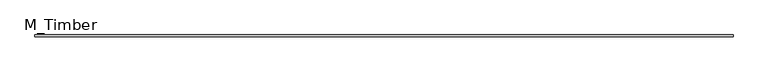
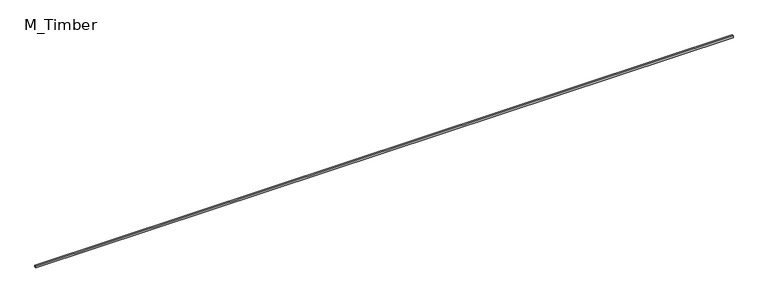
"""IFC4 building model written with IfcOpenShell, lengths in millimetres: beam geometry, M_Timber."""

from ifc_helpers import new_model, si_unit, frame, origin, place, context, project, spatial, polyline, outline, extrude, source, transform, mapped, element, save


def m_timber_252e9f58(model_context):
    return source(origin(), model_context, "Body", "SweptSolid", [
        extrude(outline(polyline([(8112.9289226, 20.0), (8112.9289226, -20.0), (-8112.9289226, -20.0), (-8112.9289226, 20.0), (8112.9289226, 20.0)])), frame((0.0, 0.0, -20.0), z_axis=(0.0, 0.0, 1.0), x_axis=(1.0, 0.0, 0.0)), (0.0, 0.0, 1.0), 40.0),
    ])


if __name__ == "__main__":
    model = new_model("IFC4")
    model_context = context("Model", 3, world=origin())
    ifc_project = project(units=[si_unit("LENGTHUNIT", "METRE", prefix="MILLI")], contexts=[model_context])
    site = spatial("IfcSite", under=ifc_project)
    building = spatial("IfcBuilding", under=site)
    placement = place(None, origin())
    m_timber_shape = m_timber_252e9f58(model_context)
    element("IfcBeam", 1, ObjectType="M_Timber", at=placement, inside=building, context=model_context, shape_type="MappedRepresentation", body=[
        mapped(m_timber_shape, transform((0.0, 0.0, 0.0), x_axis=(1.0, 0.0, 0.0), y_axis=(0.0, 1.0, 0.0), z_axis=(0.0, 0.0, 1.0))),
    ])
    save(model, "model.ifc")
